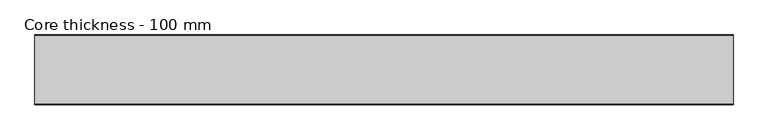
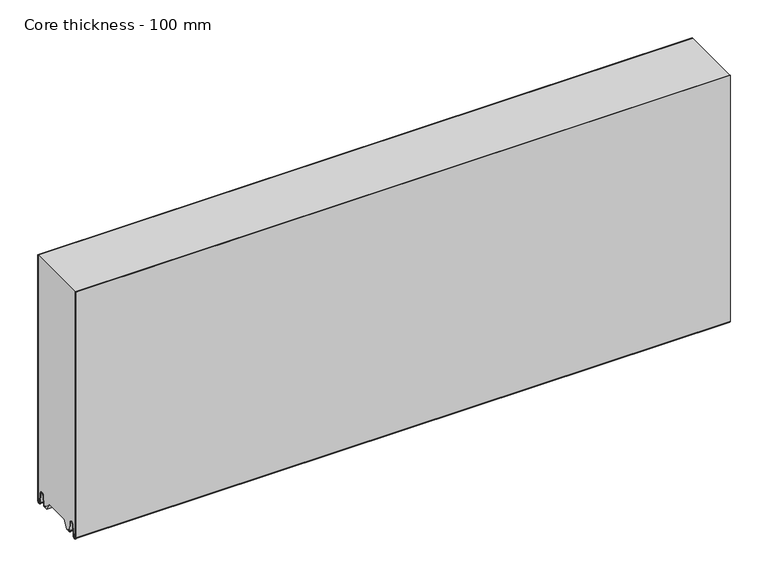
"""IFC4 building model written with IfcOpenShell, lengths in millimetres: plate geometry, Core thickness - 100 mm."""

from ifc_helpers import new_model, si_unit, frame, origin, place, context, project, spatial, polyline, circle_curve, source, transform, mapped, element, save
from ifc_brep_helpers import plane_surface, cylinder_surface, revolved_surface, advanced_brep


def core_thickness_100_mm_e4229ee7(model_context):
    return source(origin(), model_context, "Body", "AdvancedBrep", [
        advanced_brep(
        [(500.0000002, -99.9996949, 2.9900682), (500.0000002, -93.81449, 2.6875612), (500.0000002, -92.197116, 19.1828169), (500.0000002, -89.1776715, 21.8898782), (500.0000002, -86.1582271, 19.1828169), (500.0000002, -84.7725998, 5.0510966), (500.0000002, -80.3830995, 5.265779), (500.0000002, -81.1830995, 5.265779), (500.0000002, -83.9764178, 5.1291629), (500.0000002, -85.3620451, 19.2608832), (500.0000002, -89.1776715, 22.6899182), (500.0000002, -92.9932979, 19.2608832), (500.0000002, -94.6106719, 2.7656275), (500.0000002, -99.1996949, 2.9900682), (500.0000002, -99.2, 400.0), (500.0000002, -99.9996949, 400.0), (-500.0000002, -99.1996949, 2.9900682), (-500.0000002, -94.6106719, 2.7656275), (-500.0000002, -92.9932979, 19.2608832), (-500.0000002, -89.1776715, 22.6899182), (-500.0000002, -85.3620451, 19.2608832), (-500.0000002, -83.9764178, 5.1291629), (-500.0000002, -81.1830995, 5.265779), (-500.0000002, -80.3830995, 5.265779), (-500.0000002, -84.7725998, 5.0510966), (-500.0000002, -86.1582271, 19.1828169), (-500.0000002, -89.1776715, 21.8898782), (-500.0000002, -92.197116, 19.1828169), (-500.0000002, -93.81449, 2.6875612), (-500.0000002, -99.9996949, 2.9900682), (-500.0000002, -99.9996949, 400.0), (-500.0000002, -99.2, 400.0)],
        [
            (0, 1, circle_curve(frame((500.0000002, -96.8996949, 2.9900682), z_axis=(1.0, 0.0, 0.0), x_axis=(0.0, 0.0, -1.0)), 3.1)),
            (1, 2),
            (2, 3, circle_curve(frame((500.0000002, -89.2114338, 18.8900682), z_axis=(-1.0, 0.0, 0.0), x_axis=(0.0, 0.0, -1.0)), 3.0)),
            (3, 4, circle_curve(frame((500.0000002, -89.1439093, 18.8900682), z_axis=(-1.0, 0.0, 0.0), x_axis=(0.0, 0.0, -1.0)), 3.0)),
            (4, 5),
            (5, 6, circle_curve(frame((500.0000002, -82.5830995, 5.265779), z_axis=(1.0, 0.0, 0.0), x_axis=(0.0, 0.0, -1.0)), 2.2)),
            (6, 7),
            (7, 8, circle_curve(frame((500.0000002, -82.5830995, 5.265779), z_axis=(-1.0, 0.0, 0.0), x_axis=(0.0, 0.0, -1.0)), 1.4)),
            (8, 9),
            (9, 10, circle_curve(frame((500.0000002, -89.1439093, 18.8900682), z_axis=(1.0, 0.0, 0.0), x_axis=(0.0, 0.0, -1.0)), 3.8)),
            (10, 11, circle_curve(frame((500.0000002, -89.2114338, 18.8900682), z_axis=(1.0, 0.0, 0.0), x_axis=(0.0, 0.0, -1.0)), 3.8)),
            (11, 12),
            (12, 13, circle_curve(frame((500.0000002, -96.8996949, 2.9900682), z_axis=(-1.0, 0.0, 0.0), x_axis=(0.0, 0.0, -1.0)), 2.3)),
            (13, 14),
            (14, 15),
            (15, 0),
            (16, 17, circle_curve(frame((-500.0000002, -96.8996949, 2.9900682), z_axis=(1.0, 0.0, 0.0), x_axis=(0.0, 0.0, -1.0)), 2.3)),
            (17, 18),
            (18, 19, circle_curve(frame((-500.0000002, -89.2114338, 18.8900682), z_axis=(-1.0, 0.0, 0.0), x_axis=(0.0, 0.0, -1.0)), 3.8)),
            (19, 20, circle_curve(frame((-500.0000002, -89.1439093, 18.8900682), z_axis=(-1.0, 0.0, 0.0), x_axis=(0.0, 0.0, -1.0)), 3.8)),
            (20, 21),
            (21, 22, circle_curve(frame((-500.0000002, -82.5830995, 5.265779), z_axis=(1.0, 0.0, 0.0), x_axis=(0.0, 0.0, -1.0)), 1.4)),
            (22, 23),
            (23, 24, circle_curve(frame((-500.0000002, -82.5830995, 5.265779), z_axis=(-1.0, 0.0, 0.0), x_axis=(0.0, 0.0, -1.0)), 2.2)),
            (24, 25),
            (25, 26, circle_curve(frame((-500.0000002, -89.1439093, 18.8900682), z_axis=(1.0, 0.0, 0.0), x_axis=(0.0, 0.0, -1.0)), 3.0)),
            (26, 27, circle_curve(frame((-500.0000002, -89.2114338, 18.8900682), z_axis=(1.0, 0.0, 0.0), x_axis=(0.0, 0.0, -1.0)), 3.0)),
            (27, 28),
            (28, 29, circle_curve(frame((-500.0000002, -96.8996949, 2.9900682), z_axis=(-1.0, 0.0, 0.0), x_axis=(0.0, 0.0, -1.0)), 3.1)),
            (29, 30),
            (30, 31),
            (31, 16),
            (13, 16),
            (31, 14),
            (29, 0),
            (15, 30),
            (12, 17),
            (11, 18),
            (10, 19),
            (9, 20),
            (8, 21),
            (7, 22),
            (6, 23),
            (5, 24),
            (4, 25),
            (3, 26),
            (2, 27),
            (1, 28),
        ],
        [
            plane_surface(frame((500.0000002, -100.0, 0.0), z_axis=(1.0, 0.0, 0.0), x_axis=(0.0, 1.0, 0.0))),
            plane_surface(frame((-500.0000002, -100.0, 0.0), z_axis=(-1.0, 0.0, 0.0), x_axis=(0.0, 1.0, 0.0))),
            plane_surface(frame((500.0000002, -99.2, 2.9900682), z_axis=(0.0, 1.0, 0.0), x_axis=(-1.0, 0.0, 0.0))),
            plane_surface(frame((500.0000002, -99.9996949, 1093.8000005), z_axis=(0.0, -1.0, 0.0), x_axis=(-1.0, 0.0, 0.0))),
            revolved_surface(polyline([(-500.0000002, -96.8996949, 0.6900682000000002), (500.0000002, -96.8996949, 0.6900682000000002)]), (500.0000002, -96.8996949, 2.9900682), (-1.0, 0.0, 0.0)),
            plane_surface(frame((500.0000002, -92.9932979, 19.2608832), z_axis=(0.0, -0.9952273999818314, 0.09758289975914787), x_axis=(-1.0, 0.0, 0.0))),
            cylinder_surface(frame((500.0000002, -89.2114338, 18.8900682), z_axis=(1.0, 0.0, 0.0), x_axis=(0.0, 0.0, -1.0)), 3.8),
            cylinder_surface(frame((500.0000002, -89.1439093, 18.8900682), z_axis=(1.0, 0.0, 0.0), x_axis=(0.0, 0.0, -1.0)), 3.8),
            plane_surface(frame((500.0000002, -83.9764178, 5.1291629), z_axis=(0.0, 0.9952273999818297, 0.09758289975916531), x_axis=(-1.0, 0.0, 0.0))),
            revolved_surface(polyline([(-500.0000002, -82.5830995, 3.8657790000000003), (500.0000002, -82.5830995, 3.8657790000000003)]), (500.0000002, -82.5830995, 5.265779), (-1.0, 0.0, 0.0)),
            plane_surface(frame((500.0000002, -80.3830995, 5.265779), z_axis=(0.0, 0.0, 1.0), x_axis=(-1.0, 0.0, 0.0))),
            cylinder_surface(frame((500.0000002, -82.5830995, 5.265779), z_axis=(1.0, 0.0, 0.0), x_axis=(0.0, 0.0, -1.0)), 2.2),
            plane_surface(frame((500.0000002, -86.1582271, 19.1828169), z_axis=(0.0, -0.9952273999818296, -0.09758289975916527), x_axis=(-1.0, 0.0, 0.0))),
            revolved_surface(polyline([(-500.0000002, -89.1439093, 15.890068200000002), (500.0000002, -89.1439093, 15.890068200000002)]), (500.0000002, -89.1439093, 18.8900682), (-1.0, 0.0, 0.0)),
            revolved_surface(polyline([(-500.0000002, -89.2114338, 15.890068200000002), (500.0000002, -89.2114338, 15.890068200000002)]), (500.0000002, -89.2114338, 18.8900682), (-1.0, 0.0, 0.0)),
            plane_surface(frame((500.0000002, -93.81449, 2.6875612), z_axis=(0.0, 0.9952273999818314, -0.09758289975914787), x_axis=(-1.0, 0.0, 0.0))),
            cylinder_surface(frame((500.0000002, -96.8996949, 2.9900682), z_axis=(1.0, 0.0, 0.0), x_axis=(0.0, 0.0, -1.0)), 3.1),
            plane_surface(frame((-500.0000002, 134.0533409, 400.0), z_axis=(0.0, 0.0, 1.0), x_axis=(1.0, 0.0, 0.0))),
        ],
        [
            (0, [[1, 2, 3, 4, 5, 6, 7, 8, 9, 10, 11, 12, 13, 14, 15, 16]]),
            (1, [[17, 18, 19, 20, 21, 22, 23, 24, 25, 26, 27, 28, 29, 30, 31, 32]]),
            (2, [[33, -32, 34, -14]]),
            (3, [[35, -16, 36, -30]]),
            (4, [[-13, 37, -17, -33]]),
            (5, [[-12, 38, -18, -37]]),
            (6, [[-11, 39, -19, -38]]),
            (7, [[-10, 40, -20, -39]]),
            (8, [[-9, 41, -21, -40]]),
            (9, [[-8, 42, -22, -41]]),
            (10, [[-7, 43, -23, -42]]),
            (11, [[-6, 44, -24, -43]]),
            (12, [[-5, 45, -25, -44]]),
            (13, [[-4, 46, -26, -45]]),
            (14, [[-3, 47, -27, -46]]),
            (15, [[-2, 48, -28, -47]]),
            (16, [[-1, -35, -29, -48]]),
            (17, [[-15, -34, -31, -36]]),
        ],
    ),
        advanced_brep(
        [(500.0000002, -0.8003051, 2.9900682), (500.0000002, -5.3893281, 2.7656275), (500.0000002, -7.0067021, 19.2608832), (500.0000002, -10.8223285, 22.6899182), (500.0000002, -14.6379549, 19.2608832), (500.0000002, -16.0235822, 5.1291629), (500.0000002, -18.8169005, 5.265779), (500.0000002, -19.6169005, 5.265779), (500.0000002, -15.2274002, 5.0510966), (500.0000002, -13.8417729, 19.1828169), (500.0000002, -10.8223285, 21.8898782), (500.0000002, -7.802884, 19.1828169), (500.0000002, -6.18551, 2.6875612), (500.0000002, -0.0003051, 2.9900682), (500.0000002, -0.0003051, 400.0), (500.0000002, -0.8, 400.0), (-500.0000002, -0.0003051, 2.9900682), (-500.0000002, -6.18551, 2.6875612), (-500.0000002, -7.802884, 19.1828169), (-500.0000002, -10.8223285, 21.8898782), (-500.0000002, -13.8417729, 19.1828169), (-500.0000002, -15.2274002, 5.0510966), (-500.0000002, -19.6169005, 5.265779), (-500.0000002, -18.8169005, 5.265779), (-500.0000002, -16.0235822, 5.1291629), (-500.0000002, -14.6379549, 19.2608832), (-500.0000002, -10.8223285, 22.6899182), (-500.0000002, -7.0067021, 19.2608832), (-500.0000002, -5.3893281, 2.7656275), (-500.0000002, -0.8003051, 2.9900682), (-500.0000002, -0.8, 400.0), (-500.0000002, -0.0003051, 400.0)],
        [
            (0, 1, circle_curve(frame((500.0000002, -3.1003051, 2.9900682), z_axis=(-1.0, 0.0, 0.0), x_axis=(0.0, 0.0, -1.0)), 2.3)),
            (1, 2),
            (2, 3, circle_curve(frame((500.0000002, -10.7885662, 18.8900682), z_axis=(1.0, 0.0, 0.0), x_axis=(0.0, 0.0, -1.0)), 3.8)),
            (3, 4, circle_curve(frame((500.0000002, -10.8560907, 18.8900682), z_axis=(1.0, 0.0, 0.0), x_axis=(0.0, 0.0, -1.0)), 3.8)),
            (4, 5),
            (5, 6, circle_curve(frame((500.0000002, -17.4169005, 5.265779), z_axis=(-1.0, 0.0, 0.0), x_axis=(0.0, 0.0, -1.0)), 1.4)),
            (6, 7),
            (7, 8, circle_curve(frame((500.0000002, -17.4169005, 5.265779), z_axis=(1.0, 0.0, 0.0), x_axis=(0.0, 0.0, -1.0)), 2.2)),
            (8, 9),
            (9, 10, circle_curve(frame((500.0000002, -10.8560907, 18.8900682), z_axis=(-1.0, 0.0, 0.0), x_axis=(0.0, 0.0, -1.0)), 3.0)),
            (10, 11, circle_curve(frame((500.0000002, -10.7885662, 18.8900682), z_axis=(-1.0, 0.0, 0.0), x_axis=(0.0, 0.0, -1.0)), 3.0)),
            (11, 12),
            (12, 13, circle_curve(frame((500.0000002, -3.1003051, 2.9900682), z_axis=(1.0, 0.0, 0.0), x_axis=(0.0, 0.0, -1.0)), 3.1)),
            (13, 14),
            (14, 15),
            (15, 0),
            (16, 17, circle_curve(frame((-500.0000002, -3.1003051, 2.9900682), z_axis=(-1.0, 0.0, 0.0), x_axis=(0.0, 0.0, -1.0)), 3.1)),
            (17, 18),
            (18, 19, circle_curve(frame((-500.0000002, -10.7885662, 18.8900682), z_axis=(1.0, 0.0, 0.0), x_axis=(0.0, 0.0, -1.0)), 3.0)),
            (19, 20, circle_curve(frame((-500.0000002, -10.8560907, 18.8900682), z_axis=(1.0, 0.0, 0.0), x_axis=(0.0, 0.0, -1.0)), 3.0)),
            (20, 21),
            (21, 22, circle_curve(frame((-500.0000002, -17.4169005, 5.265779), z_axis=(-1.0, 0.0, 0.0), x_axis=(0.0, 0.0, -1.0)), 2.2)),
            (22, 23),
            (23, 24, circle_curve(frame((-500.0000002, -17.4169005, 5.265779), z_axis=(1.0, 0.0, 0.0), x_axis=(0.0, 0.0, -1.0)), 1.4)),
            (24, 25),
            (25, 26, circle_curve(frame((-500.0000002, -10.8560907, 18.8900682), z_axis=(-1.0, 0.0, 0.0), x_axis=(0.0, 0.0, -1.0)), 3.8)),
            (26, 27, circle_curve(frame((-500.0000002, -10.7885662, 18.8900682), z_axis=(-1.0, 0.0, 0.0), x_axis=(0.0, 0.0, -1.0)), 3.8)),
            (27, 28),
            (28, 29, circle_curve(frame((-500.0000002, -3.1003051, 2.9900682), z_axis=(1.0, 0.0, 0.0), x_axis=(0.0, 0.0, -1.0)), 2.3)),
            (29, 30),
            (30, 31),
            (31, 16),
            (13, 16),
            (31, 14),
            (29, 0),
            (15, 30),
            (12, 17),
            (11, 18),
            (10, 19),
            (9, 20),
            (8, 21),
            (7, 22),
            (6, 23),
            (5, 24),
            (4, 25),
            (3, 26),
            (2, 27),
            (1, 28),
        ],
        [
            plane_surface(frame((500.0000002, 0.0, 0.0), z_axis=(1.0, 0.0, 0.0), x_axis=(0.0, -1.0, 0.0))),
            plane_surface(frame((-500.0000002, 0.0, 0.0), z_axis=(-1.0, 0.0, 0.0), x_axis=(0.0, -1.0, 0.0))),
            plane_surface(frame((500.0000002, -0.0003051, 2.9900682), z_axis=(0.0, 1.0, 0.0), x_axis=(-1.0, 0.0, 0.0))),
            plane_surface(frame((500.0000002, -0.8, 1093.8000005), z_axis=(0.0, -1.0, 0.0), x_axis=(-1.0, 0.0, 0.0))),
            cylinder_surface(frame((500.0000002, -3.1003051, 2.9900682), z_axis=(1.0, 0.0, 0.0), x_axis=(0.0, 0.0, -1.0)), 3.1),
            plane_surface(frame((500.0000002, -7.802884, 19.1828169), z_axis=(0.0, -0.9952273999818314, -0.09758289975914787), x_axis=(-1.0, 0.0, 0.0))),
            revolved_surface(polyline([(-500.0000002, -10.7885662, 15.890068200000002), (500.0000002, -10.7885662, 15.890068200000002)]), (500.0000002, -10.7885662, 18.8900682), (-1.0, 0.0, 0.0)),
            revolved_surface(polyline([(-500.0000002, -10.8560907, 15.890068200000002), (500.0000002, -10.8560907, 15.890068200000002)]), (500.0000002, -10.8560907, 18.8900682), (-1.0, 0.0, 0.0)),
            plane_surface(frame((500.0000002, -15.2274002, 5.0510966), z_axis=(0.0, 0.9952273999818296, -0.09758289975916527), x_axis=(-1.0, 0.0, 0.0))),
            cylinder_surface(frame((500.0000002, -17.4169005, 5.265779), z_axis=(1.0, 0.0, 0.0), x_axis=(0.0, 0.0, -1.0)), 2.2),
            plane_surface(frame((500.0000002, -18.8169005, 5.265779), z_axis=(0.0, 0.0, 1.0), x_axis=(-1.0, 0.0, 0.0))),
            revolved_surface(polyline([(-500.0000002, -17.4169005, 3.8657790000000003), (500.0000002, -17.4169005, 3.8657790000000003)]), (500.0000002, -17.4169005, 5.265779), (-1.0, 0.0, 0.0)),
            plane_surface(frame((500.0000002, -14.6379549, 19.2608832), z_axis=(0.0, -0.9952273999818297, 0.09758289975916531), x_axis=(-1.0, 0.0, 0.0))),
            cylinder_surface(frame((500.0000002, -10.8560907, 18.8900682), z_axis=(1.0, 0.0, 0.0), x_axis=(0.0, 0.0, -1.0)), 3.8),
            cylinder_surface(frame((500.0000002, -10.7885662, 18.8900682), z_axis=(1.0, 0.0, 0.0), x_axis=(0.0, 0.0, -1.0)), 3.8),
            plane_surface(frame((500.0000002, -5.3893281, 2.7656275), z_axis=(0.0, 0.9952273999818314, 0.09758289975914787), x_axis=(-1.0, 0.0, 0.0))),
            revolved_surface(polyline([(-500.0000002, -3.1003051, 0.6900682000000002), (500.0000002, -3.1003051, 0.6900682000000002)]), (500.0000002, -3.1003051, 2.9900682), (-1.0, 0.0, 0.0)),
            plane_surface(frame((-500.0000002, 134.0533409, 400.0), z_axis=(0.0, 0.0, 1.0), x_axis=(1.0, 0.0, 0.0))),
        ],
        [
            (0, [[1, 2, 3, 4, 5, 6, 7, 8, 9, 10, 11, 12, 13, 14, 15, 16]]),
            (1, [[17, 18, 19, 20, 21, 22, 23, 24, 25, 26, 27, 28, 29, 30, 31, 32]]),
            (2, [[33, -32, 34, -14]]),
            (3, [[35, -16, 36, -30]]),
            (4, [[-13, 37, -17, -33]]),
            (5, [[-12, 38, -18, -37]]),
            (6, [[-11, 39, -19, -38]]),
            (7, [[-10, 40, -20, -39]]),
            (8, [[-9, 41, -21, -40]]),
            (9, [[-8, 42, -22, -41]]),
            (10, [[-7, 43, -23, -42]]),
            (11, [[-6, 44, -24, -43]]),
            (12, [[-5, 45, -25, -44]]),
            (13, [[-4, 46, -26, -45]]),
            (14, [[-3, 47, -27, -46]]),
            (15, [[-2, 48, -28, -47]]),
            (16, [[-1, -35, -29, -48]]),
            (17, [[-15, -34, -31, -36]]),
        ],
    ),
        advanced_brep(
        [(500.0000002, -69.873448, 15.0417681), (500.0000002, -30.126552, 15.0417681), (500.0000002, -23.4086055, 3.0684055), (500.0000002, -17.4169005, 3.0684055), (500.0000002, -19.6169005, 5.265779), (500.0000002, -18.8169005, 5.265779), (500.0000002, -16.0235822, 5.1291629), (500.0000002, -14.6379549, 19.2608832), (500.0000002, -10.8223285, 22.6899182), (500.0000002, -7.0067021, 19.2608832), (500.0000002, -5.3893281, 2.7656275), (500.0000002, -0.8003051, 2.9900682), (500.0000002, -0.8, 400.0), (500.0000002, -99.2, 400.0), (500.0000002, -99.2, 2.9900682), (500.0000002, -94.6106719, 2.7656275), (500.0000002, -92.9932979, 19.2608832), (500.0000002, -89.1776715, 22.6899182), (500.0000002, -85.3620451, 19.2608832), (500.0000002, -83.9764178, 5.1291629), (500.0000002, -81.1830995, 5.265779), (500.0000002, -80.3830995, 5.265779), (500.0000002, -82.5830995, 3.065779), (500.0000002, -76.5913945, 3.0684055), (-500.0000002, -30.126552, 15.0417681), (-500.0000002, -69.873448, 15.0417681), (-500.0000002, -76.5913945, 3.0684055), (-500.0000002, -82.5830995, 3.0684055), (-500.0000002, -80.3830995, 5.265779), (-500.0000002, -81.1830995, 5.265779), (-500.0000002, -83.9764178, 5.1291629), (-500.0000002, -85.3620451, 19.2608832), (-500.0000002, -89.1776715, 22.6899182), (-500.0000002, -92.9932979, 19.2608832), (-500.0000002, -94.6106719, 2.7656275), (-500.0000002, -99.1996949, 2.9900682), (-500.0000002, -99.2, 400.0), (-500.0000002, -0.8, 400.0), (-500.0000002, -0.8, 2.9900682), (-500.0000002, -5.3893281, 2.7656275), (-500.0000002, -7.0067021, 19.2608832), (-500.0000002, -10.8223285, 22.6899182), (-500.0000002, -14.6379549, 19.2608832), (-500.0000002, -16.0235822, 5.1291629), (-500.0000002, -18.8169005, 5.265779), (-500.0000002, -19.6169005, 5.265779), (-500.0000002, -17.4169005, 3.065779), (-500.0000002, -23.4086055, 3.0684055)],
        [
            (0, 1),
            (1, 2),
            (2, 3),
            (3, 4, circle_curve(frame((500.0000002, -17.4169005, 5.265779), z_axis=(-1.0, 0.0, 0.0), x_axis=(0.0, 0.0, -1.0)), 2.2)),
            (4, 5),
            (5, 6, circle_curve(frame((500.0000002, -17.4169005, 5.265779), z_axis=(1.0, 0.0, 0.0), x_axis=(0.0, 0.0, -1.0)), 1.4)),
            (6, 7),
            (7, 8, circle_curve(frame((500.0000002, -10.8560907, 18.8900682), z_axis=(-1.0, 0.0, 0.0), x_axis=(0.0, 0.0, -1.0)), 3.8)),
            (8, 9, circle_curve(frame((500.0000002, -10.7885662, 18.8900682), z_axis=(-1.0, 0.0, 0.0), x_axis=(0.0, 0.0, -1.0)), 3.8)),
            (9, 10),
            (10, 11, circle_curve(frame((500.0000002, -3.1003051, 2.9900682), z_axis=(1.0, 0.0, 0.0), x_axis=(0.0, 0.0, -1.0)), 2.3)),
            (11, 12),
            (12, 13),
            (13, 14),
            (14, 15, circle_curve(frame((500.0000002, -96.8996949, 2.9900682), z_axis=(1.0, 0.0, 0.0), x_axis=(0.0, 0.0, -1.0)), 2.3)),
            (15, 16),
            (16, 17, circle_curve(frame((500.0000002, -89.2114338, 18.8900682), z_axis=(-1.0, 0.0, 0.0), x_axis=(0.0, 0.0, -1.0)), 3.8)),
            (17, 18, circle_curve(frame((500.0000002, -89.1439093, 18.8900682), z_axis=(-1.0, 0.0, 0.0), x_axis=(0.0, 0.0, -1.0)), 3.8)),
            (18, 19),
            (19, 20, circle_curve(frame((500.0000002, -82.5830995, 5.265779), z_axis=(1.0, 0.0, 0.0), x_axis=(0.0, 0.0, -1.0)), 1.4)),
            (20, 21),
            (21, 22, circle_curve(frame((500.0000002, -82.5830995, 5.265779), z_axis=(-1.0, 0.0, 0.0), x_axis=(0.0, 0.0, -1.0)), 2.2)),
            (22, 23),
            (23, 0),
            (24, 25),
            (25, 26),
            (26, 27),
            (27, 28, circle_curve(frame((-500.0000002, -82.5830995, 5.265779), z_axis=(1.0, 0.0, 0.0), x_axis=(0.0, 0.0, -1.0)), 2.2)),
            (28, 29),
            (29, 30, circle_curve(frame((-500.0000002, -82.5830995, 5.265779), z_axis=(-1.0, 0.0, 0.0), x_axis=(0.0, 0.0, -1.0)), 1.4)),
            (30, 31),
            (31, 32, circle_curve(frame((-500.0000002, -89.1439093, 18.8900682), z_axis=(1.0, 0.0, 0.0), x_axis=(0.0, 0.0, -1.0)), 3.8)),
            (32, 33, circle_curve(frame((-500.0000002, -89.2114338, 18.8900682), z_axis=(1.0, 0.0, 0.0), x_axis=(0.0, 0.0, -1.0)), 3.8)),
            (33, 34),
            (34, 35, circle_curve(frame((-500.0000002, -96.8996949, 2.9900682), z_axis=(-1.0, 0.0, 0.0), x_axis=(0.0, 0.0, -1.0)), 2.3)),
            (35, 36),
            (36, 37),
            (37, 38),
            (38, 39, circle_curve(frame((-500.0000002, -3.1003051, 2.9900682), z_axis=(-1.0, 0.0, 0.0), x_axis=(0.0, 0.0, -1.0)), 2.3)),
            (39, 40),
            (40, 41, circle_curve(frame((-500.0000002, -10.7885662, 18.8900682), z_axis=(1.0, 0.0, 0.0), x_axis=(0.0, 0.0, -1.0)), 3.8)),
            (41, 42, circle_curve(frame((-500.0000002, -10.8560907, 18.8900682), z_axis=(1.0, 0.0, 0.0), x_axis=(0.0, 0.0, -1.0)), 3.8)),
            (42, 43),
            (43, 44, circle_curve(frame((-500.0000002, -17.4169005, 5.265779), z_axis=(-1.0, 0.0, 0.0), x_axis=(0.0, 0.0, -1.0)), 1.4)),
            (44, 45),
            (45, 46, circle_curve(frame((-500.0000002, -17.4169005, 5.265779), z_axis=(1.0, 0.0, 0.0), x_axis=(0.0, 0.0, -1.0)), 2.2)),
            (46, 47),
            (47, 24),
            (11, 38),
            (37, 12),
            (1, 24),
            (47, 2),
            (0, 25),
            (23, 26),
            (46, 3),
            (22, 27),
            (45, 4),
            (44, 5),
            (43, 6),
            (42, 7),
            (41, 8),
            (40, 9),
            (39, 10),
            (35, 14),
            (13, 36),
            (34, 15),
            (33, 16),
            (32, 17),
            (31, 18),
            (30, 19),
            (29, 20),
            (28, 21),
        ],
        [
            plane_surface(frame((500.0000002, 0.0, 0.0), z_axis=(1.0, 0.0, 0.0), x_axis=(0.0, -1.0, 0.0))),
            plane_surface(frame((-500.0000002, 0.0, 0.0), z_axis=(-1.0, 0.0, 0.0), x_axis=(0.0, -1.0, 0.0))),
            plane_surface(frame((630.0000002, -0.8, 1093.8000005), z_axis=(0.0, 1.0, 0.0), x_axis=(-1.0, 0.0, 0.0))),
            plane_surface(frame((500.0000002, -30.126552, 15.0417681), z_axis=(0.0, -0.8721062992196836, -0.4893164649399687), x_axis=(-1.0, 0.0, 0.0))),
            plane_surface(frame((500.0000002, -69.873448, 15.0417681), z_axis=(0.0, 0.0, -1.0), x_axis=(-1.0, 0.0, 0.0))),
            plane_surface(frame((500.0000002, -76.8190247, 2.6627014), z_axis=(0.0, 0.8721062992196862, -0.4893164649399642), x_axis=(-1.0, 0.0, 0.0))),
            plane_surface(frame((-500.0000002, -82.5830995, 3.0684055), z_axis=(0.0, 0.0, -1.0), x_axis=(1.0, 0.0, 0.0))),
            revolved_surface(polyline([(500.0000002, -17.4169005, 3.065779), (-500.00000020000004, -17.4169005, 3.065779)]), (630.0000002, -17.4169005, 5.265779), (1.0, 0.0, 0.0)),
            plane_surface(frame((630.0000002, -18.8169005, 5.265779), z_axis=(0.0, 0.0, -1.0), x_axis=(-1.0, 0.0, 0.0))),
            cylinder_surface(frame((630.0000002, -17.4169005, 5.265779), z_axis=(-1.0, 0.0, 0.0), x_axis=(0.0, 0.0, -1.0)), 1.4),
            plane_surface(frame((630.0000002, -14.6379549, 19.2608832), z_axis=(0.0, 0.9952273999818297, -0.09758289975916531), x_axis=(-1.0, 0.0, 0.0))),
            revolved_surface(polyline([(500.0000002, -10.8560907, 15.090068200000001), (-500.00000020000004, -10.8560907, 15.090068200000001)]), (630.0000002, -10.8560907, 18.8900682), (1.0, 0.0, 0.0)),
            revolved_surface(polyline([(500.0000002, -10.7885662, 15.090068200000001), (-500.00000020000004, -10.7885662, 15.090068200000001)]), (630.0000002, -10.7885662, 18.8900682), (1.0, 0.0, 0.0)),
            plane_surface(frame((630.0000002, -5.3893281, 2.7656275), z_axis=(0.0, -0.9952273999818314, -0.09758289975914787), x_axis=(-1.0, 0.0, 0.0))),
            cylinder_surface(frame((630.0000002, -3.1003051, 2.9900682), z_axis=(-1.0, 0.0, 0.0), x_axis=(0.0, 0.0, -1.0)), 2.3),
            plane_surface(frame((630.0000002, -99.2, 2.9900682), z_axis=(0.0, -1.0, 0.0), x_axis=(-1.0, 0.0, 0.0))),
            cylinder_surface(frame((630.0000002, -96.8996949, 2.9900682), z_axis=(-1.0, 0.0, 0.0), x_axis=(0.0, 0.0, -1.0)), 2.3),
            plane_surface(frame((630.0000002, -92.9932979, 19.2608832), z_axis=(0.0, 0.9952273999818314, -0.09758289975914787), x_axis=(-1.0, 0.0, 0.0))),
            revolved_surface(polyline([(500.0000002, -89.2114338, 15.090068200000001), (-500.00000020000004, -89.2114338, 15.090068200000001)]), (630.0000002, -89.2114338, 18.8900682), (1.0, 0.0, 0.0)),
            revolved_surface(polyline([(500.0000002, -89.1439093, 15.090068200000001), (-500.00000020000004, -89.1439093, 15.090068200000001)]), (630.0000002, -89.1439093, 18.8900682), (1.0, 0.0, 0.0)),
            plane_surface(frame((630.0000002, -83.9764178, 5.1291629), z_axis=(0.0, -0.9952273999818297, -0.09758289975916531), x_axis=(-1.0, 0.0, 0.0))),
            cylinder_surface(frame((630.0000002, -82.5830995, 5.265779), z_axis=(-1.0, 0.0, 0.0), x_axis=(0.0, 0.0, -1.0)), 1.4),
            plane_surface(frame((630.0000002, -80.3830995, 5.265779), z_axis=(0.0, 0.0, -1.0), x_axis=(-1.0, 0.0, 0.0))),
            revolved_surface(polyline([(500.0000002, -82.5830995, 3.065779), (-500.00000020000004, -82.5830995, 3.065779)]), (630.0000002, -82.5830995, 5.265779), (1.0, 0.0, 0.0)),
            plane_surface(frame((-500.0000002, 134.0533409, 400.0), z_axis=(0.0, 0.0, 1.0), x_axis=(1.0, 0.0, 0.0))),
        ],
        [
            (0, [[1, 2, 3, 4, 5, 6, 7, 8, 9, 10, 11, 12, 13, 14, 15, 16, 17, 18, 19, 20, 21, 22, 23, 24]]),
            (1, [[25, 26, 27, 28, 29, 30, 31, 32, 33, 34, 35, 36, 37, 38, 39, 40, 41, 42, 43, 44, 45, 46, 47, 48]]),
            (2, [[49, -38, 50, -12]]),
            (3, [[51, -48, 52, -2]]),
            (4, [[-1, 53, -25, -51]]),
            (5, [[-53, -24, 54, -26]]),
            (6, [[-3, -52, -47, 55]]),
            (6, [[-23, 56, -27, -54]]),
            (7, [[57, -4, -55, -46]]),
            (8, [[-57, -45, 58, -5]]),
            (9, [[-58, -44, 59, -6]]),
            (10, [[-59, -43, 60, -7]]),
            (11, [[-60, -42, 61, -8]]),
            (12, [[-61, -41, 62, -9]]),
            (13, [[-62, -40, 63, -10]]),
            (14, [[-63, -39, -49, -11]]),
            (15, [[64, -14, 65, -36]]),
            (16, [[-64, -35, 66, -15]]),
            (17, [[-66, -34, 67, -16]]),
            (18, [[-67, -33, 68, -17]]),
            (19, [[-68, -32, 69, -18]]),
            (20, [[-69, -31, 70, -19]]),
            (21, [[-70, -30, 71, -20]]),
            (22, [[-71, -29, 72, -21]]),
            (23, [[-72, -28, -56, -22]]),
            (24, [[-50, -37, -65, -13]]),
        ],
    ),
    ])


if __name__ == "__main__":
    model = new_model("IFC4")
    model_context = context("Model", 3, world=origin())
    ifc_project = project(units=[si_unit("LENGTHUNIT", "METRE", prefix="MILLI")], contexts=[model_context])
    site = spatial("IfcSite", under=ifc_project)
    building = spatial("IfcBuilding", under=site)
    placement = place(None, origin())
    core_thickness_100_mm_shape = core_thickness_100_mm_e4229ee7(model_context)
    element("IfcPlate", 1, ObjectType="Core thickness - 100 mm", at=placement, inside=building, context=model_context, shape_type="MappedRepresentation", body=[
        mapped(core_thickness_100_mm_shape, transform((0.0, 0.0, 0.0), x_axis=(1.0, 0.0, 0.0), y_axis=(0.0, 1.0, 0.0), z_axis=(0.0, 0.0, 1.0))),
    ])
    save(model, "model.ifc")
